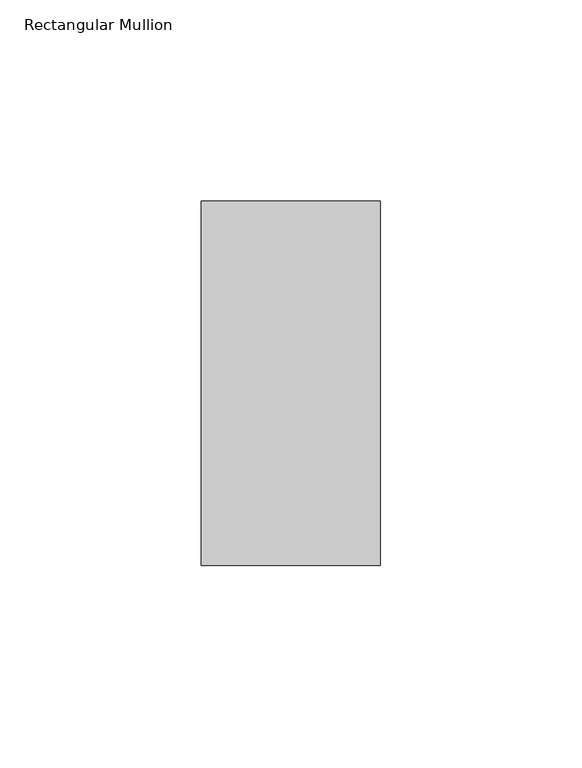
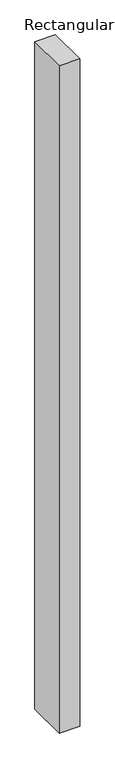
"""IFC4 building model written with IfcOpenShell, lengths in millimetres: member geometry, Rectangular Mullion."""

from ifc_helpers import new_model, si_unit, frame, origin, place, context, project, spatial, polyline, outline, extrude, source, transform, mapped, element, save


def rectangular_mullion_ed778887(model_context):
    return source(origin(), model_context, "Body", "SweptSolid", [
        extrude(outline(polyline([(22.2123948, 45.2274954), (22.2123948, -45.2274954), (-22.2123948, -45.2274954), (-22.2123948, 45.2274954), (22.2123948, 45.2274954)])), frame((0.0, 0.0, -1524.0), z_axis=(0.0, 0.0, 1.0), x_axis=(1.0, 0.0, 0.0)), (0.0, 0.0, 1.0), 1524.0),
    ])


if __name__ == "__main__":
    model = new_model("IFC4")
    model_context = context("Model", 3, world=origin())
    ifc_project = project(units=[si_unit("LENGTHUNIT", "METRE", prefix="MILLI")], contexts=[model_context])
    site = spatial("IfcSite", under=ifc_project)
    building = spatial("IfcBuilding", under=site)
    placement = place(None, origin())
    rectangular_mullion_shape = rectangular_mullion_ed778887(model_context)
    element("IfcMember", 1, ObjectType="Rectangular Mullion", at=placement, inside=building, context=model_context, shape_type="MappedRepresentation", body=[
        mapped(rectangular_mullion_shape, transform((0.0, 0.0, 0.0), x_axis=(1.0, 0.0, 0.0), y_axis=(0.0, 1.0, 0.0), z_axis=(0.0, 0.0, 1.0))),
    ])
    save(model, "model.ifc")
